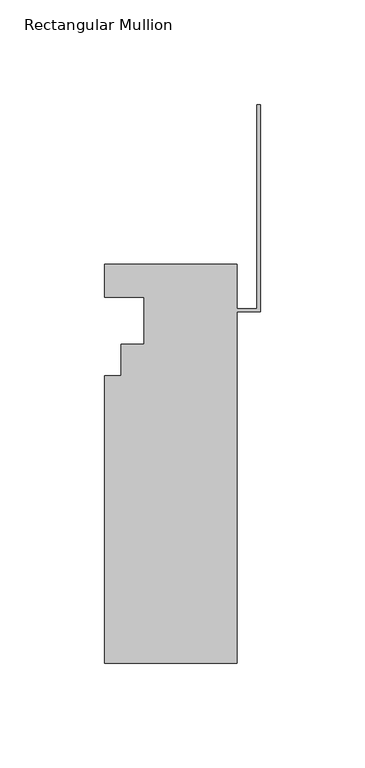
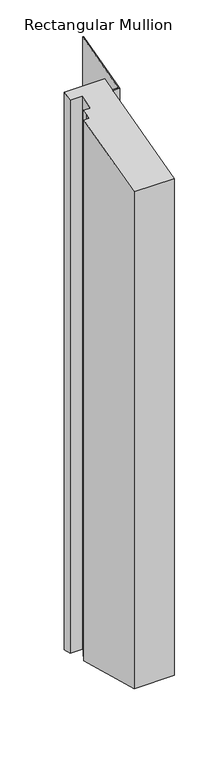
"""IFC4 building model written with IfcOpenShell, lengths in millimetres: member geometry, Rectangular Mullion."""

from ifc_helpers import new_model, si_unit, origin, place, context, project, spatial, faceted_brep, source, transform, mapped, element, save


def rectangular_mullion_5505f17f(model_context):
    return source(origin(), model_context, "Body", "Brep", [
        faceted_brep([(-74.613262, 4.9172813, 1.3175815), (-74.613262, 20.7922813, 5.571275), (-74.613262, 20.7922813, -926.4895159), (-74.613262, 4.9172813, -922.2358225), (-55.563262, 4.9172813, 1.3175815), (-55.563262, 4.9172813, -922.2358225), (-55.563262, -17.5617187, -4.7056484), (-55.563262, -17.5617187, -916.2125926), (-66.688462, -17.5617188, -4.7056484), (-66.688462, -17.5617188, -916.2125926), (-66.688462, -24.7245187, -6.6249148), (-66.688462, -24.7245187, -914.2933261), (-66.688462, -32.6239187, -8.7415527), (-66.688462, -32.6239187, -912.1766883), (-74.613262, -32.6239187, -8.7415527), (-74.613262, -32.6239187, -912.1766883), (-74.613262, -169.9617187, -45.5411053), (-74.613262, -169.9617187, -875.3771357), (-11.113262, -169.9617187, -45.5411053), (-11.113262, -169.9617187, -875.3771357), (-11.113262, -2.0423187, -0.5472377), (-11.113262, -2.0423187, -920.3710033), (0.0, -2.0423187, -0.5472377), (0.0, -2.0423187, -920.3710033), (0.0, 97.0234488, 25.9973548), (0.0, 97.0234488, -946.9155957), (-1.5748, 97.0234488, 25.9973548), (-1.5748, 97.0234488, -946.9155957), (-1.5748, -0.4675187, -0.1252713), (-1.5748, -0.4675187, -920.7929697), (-11.113262, -0.4675187, -0.1252713), (-11.113262, -0.4675187, -920.7929697), (-11.113262, 20.7922813, 5.571275), (-11.113262, 20.7922813, -926.4895159)], [[[0, 1, 2, 3]], [[4, 0, 3, 5]], [[6, 4, 5, 7]], [[8, 6, 7, 9]], [[10, 8, 9, 11]], [[12, 10, 11, 13]], [[14, 12, 13, 15]], [[16, 14, 15, 17]], [[18, 16, 17, 19]], [[20, 18, 19, 21]], [[22, 20, 21, 23]], [[24, 22, 23, 25]], [[26, 24, 25, 27]], [[28, 26, 27, 29]], [[30, 28, 29, 31]], [[32, 30, 31, 33]], [[1, 32, 33, 2]], [[1, 0, 4, 6, 8, 10, 12, 14, 16, 18, 20, 22, 24, 26, 28, 30, 32]], [[2, 33, 31, 29, 27, 25, 23, 21, 19, 17, 15, 13, 11, 9, 7, 5, 3]]]),
    ])


if __name__ == "__main__":
    model = new_model("IFC4")
    model_context = context("Model", 3, world=origin())
    ifc_project = project(units=[si_unit("LENGTHUNIT", "METRE", prefix="MILLI")], contexts=[model_context])
    site = spatial("IfcSite", under=ifc_project)
    building = spatial("IfcBuilding", under=site)
    placement = place(None, origin())
    rectangular_mullion_shape = rectangular_mullion_5505f17f(model_context)
    element("IfcMember", 1, ObjectType="Rectangular Mullion", at=placement, inside=building, context=model_context, shape_type="MappedRepresentation", body=[
        mapped(rectangular_mullion_shape, transform((0.0, 0.0, 0.0), x_axis=(1.0, 0.0, 0.0), y_axis=(0.0, 1.0, 0.0), z_axis=(0.0, 0.0, 1.0))),
    ])
    save(model, "model.ifc")
